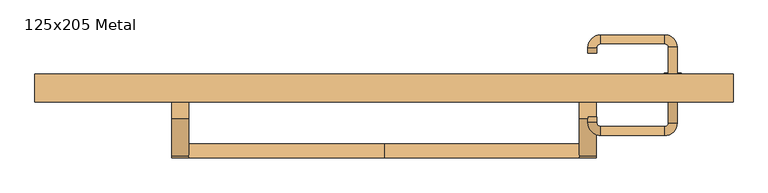
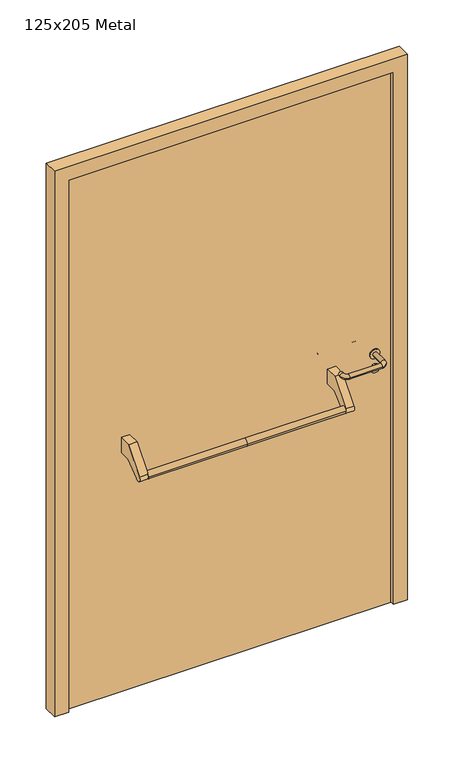
"""IFC4 building model written with IfcOpenShell, lengths in millimetres: door geometry, 125x205 Metal."""

from ifc_helpers import new_model, si_unit, point, frame, frame_2d, origin, origin_with_axes, place, context, project, spatial, polyline, circle_curve, ellipse_curve, trimmed, segment, composite_curve, outline, extrude, source, transform, mapped, element, save
from ifc_brep_helpers import plane_surface, cylinder_surface, revolved_surface, advanced_brep


def door_125x205_metal_08600e7a(model_context):
    return source(origin(), model_context, "Body", "SolidModel", [
        advanced_brep(
        [(-350.0, 74.5828565, 861.5304884), (-350.0, 49.5828565, 861.5304884), (0.0, 74.5828565, 861.5304884), (0.0, 49.5828565, 861.5304884), (350.0, 74.5828565, 861.5304884), (350.0, 49.5828565, 861.5304884)],
        [
            (0, 1, circle_curve(frame((-350.0, 62.0828565, 861.5304884), z_axis=(-1.0, 0.0, 0.0), x_axis=(0.0, -1.0, 0.0)), 12.5)),
            (1, 0, circle_curve(frame((-350.0, 62.0828565, 861.5304884), z_axis=(-1.0, 0.0, 0.0), x_axis=(0.0, -1.0, 0.0)), 12.5)),
            (0, 2),
            (2, 3, circle_curve(frame((0.0, 62.0828565, 861.5304884), z_axis=(-1.0, 0.0, 0.0), x_axis=(0.0, -1.0, 0.0)), 12.5)),
            (3, 1),
            (3, 2, circle_curve(frame((0.0, 62.0828565, 861.5304884), z_axis=(-1.0, 0.0, 0.0), x_axis=(0.0, -1.0, 0.0)), 12.5)),
            (4, 5, circle_curve(frame((350.0, 62.0828565, 861.5304884), z_axis=(1.0, 0.0, 0.0), x_axis=(0.0, -1.0, 0.0)), 12.5)),
            (5, 4, circle_curve(frame((350.0, 62.0828565, 861.5304884), z_axis=(1.0, 0.0, 0.0), x_axis=(0.0, -1.0, 0.0)), 12.5)),
            (5, 3),
            (2, 4),
        ],
        [
            plane_surface(frame((-350.0, 49.5828565, 861.5304884), z_axis=(-1.0, 0.0, 0.0), x_axis=(0.0, 0.0, -1.0))),
            cylinder_surface(frame((-350.0, 62.0828565, 861.5304884), z_axis=(1.0, 0.0, 0.0), x_axis=(0.0, -1.0, 0.0)), 12.5),
            plane_surface(frame((350.0, 49.5828565, 861.5304884), z_axis=(1.0, 0.0, 0.0), x_axis=(0.0, 0.0, 1.0))),
            cylinder_surface(frame((0.0, 62.0828565, 861.5304884), z_axis=(1.0, 0.0, 0.0), x_axis=(0.0, -1.0, 0.0)), 12.5),
        ],
        [
            (0, [[1, 2]]),
            (1, [[3, 4, 5, -1]]),
            (1, [[-5, 6, -3, -2]]),
            (2, [[7, 8]]),
            (3, [[9, -4, 10, -8]]),
            (3, [[-10, -6, -9, -7]]),
        ],
    ),
        extrude(outline(composite_curve([segment(polyline([(120.0, 950.0), (165.0, 950.0), (165.0, 895.2768379), (121.4513009, 895.2768379), (71.6584121, 853.4956432)]), True, "CONTINUOUS"), segment(trimmed(circle_curve(frame_2d((62.0828565, 861.5304884)), 12.5), [point((71.6584121, 853.4956432))], [point((52.507301, 869.5653335))], False, "CARTESIAN"), True, "CONTINUOUS"), segment(polyline([(52.507301, 869.5653335), (120.0, 950.0)]), True, "CONTINUOUS")], self_intersect=False)), frame((-380.0, 0.0, 0.0), z_axis=(1.0, 0.0, 0.0), x_axis=(0.0, 1.0, 0.0)), (0.0, 0.0, 1.0), 30.0),
        extrude(outline(composite_curve([segment(polyline([(120.0, 950.0), (165.0, 950.0), (165.0, 895.2768379), (121.4513009, 895.2768379), (71.6584121, 853.4956432)]), True, "CONTINUOUS"), segment(trimmed(circle_curve(frame_2d((62.0828565, 861.5304884)), 12.5), [point((71.6584121, 853.4956432))], [point((52.507301, 869.5653335))], False, "CARTESIAN"), True, "CONTINUOUS"), segment(polyline([(52.507301, 869.5653335), (120.0, 950.0)]), True, "CONTINUOUS")], self_intersect=False)), frame((350.0, 0.0, 0.0), z_axis=(1.0, 0.0, 0.0), x_axis=(0.0, 1.0, 0.0)), (0.0, 0.0, 1.0), 30.0),
        extrude(outline(composite_curve([segment(trimmed(circle_curve(frame_2d((897.3605726, 517.0)), 15.0), [point((897.3605726, 532.0))], [point((897.3605726, 502.0))], False, "CARTESIAN"), True, "CONTINUOUS"), segment(trimmed(circle_curve(frame_2d((897.3605726, 517.0)), 15.0), [point((897.3605726, 502.0))], [point((897.3605726, 532.0))], False, "CARTESIAN"), True, "CONTINUOUS")], self_intersect=False), holes=[composite_curve([segment(trimmed(circle_curve(frame_2d((892.5833211, 516.9398032)), 2.0), [point((892.5833211, 518.9398032))], [point((892.5833211, 514.9398032))], True, "CARTESIAN"), True, "CONTINUOUS"), segment(polyline([(892.5833211, 514.9398032), (902.5833211, 514.9398032)]), True, "CONTINUOUS"), segment(trimmed(circle_curve(frame_2d((902.5833211, 516.9398032)), 2.0), [point((902.5833211, 514.9398032))], [point((902.5833211, 518.9398032))], True, "CARTESIAN"), True, "CONTINUOUS"), segment(polyline([(902.5833211, 518.9398032), (892.5833211, 518.9398032)]), True, "CONTINUOUS")], self_intersect=False)]), frame((0.0, 158.65, 0.0), z_axis=(0.0, 1.0, 0.0), x_axis=(0.0, 0.0, 1.0)), (0.0, 0.0, 1.0), 6.35),
        extrude(outline(composite_curve([segment(trimmed(circle_curve(frame_2d((950.0, 517.0)), 17.526), [point((950.0, 534.526))], [point((950.0, 499.474))], False, "CARTESIAN"), True, "CONTINUOUS"), segment(trimmed(circle_curve(frame_2d((950.0, 517.0)), 17.526), [point((950.0, 499.474))], [point((950.0, 534.526))], False, "CARTESIAN"), True, "CONTINUOUS")], self_intersect=False)), frame((0.0, 161.825, 0.0), z_axis=(0.0, 1.0, 0.0), x_axis=(0.0, 0.0, 1.0)), (0.0, 0.0, 1.0), 3.175),
        advanced_brep(
        [(525.0, 165.0, 950.0), (509.0, 165.0, 950.0), (509.0, 112.0, 950.0), (525.0, 112.0, 950.0), (502.8578644, 105.8578644, 950.0), (502.8578644, 89.8578644, 950.0), (387.8578644, 105.8578644, 950.0), (387.8578644, 89.8578644, 950.0), (381.008622, 112.7071068, 950.0), (365.008622, 112.7071068, 950.0), (365.008622, 122.7071068, 950.0), (381.008622, 122.7071068, 950.0)],
        [
            (0, 1, circle_curve(frame((517.0, 165.0, 950.0), z_axis=(0.0, 1.0, 0.0), x_axis=(-1.0, 0.0, 0.0)), 8.0)),
            (1, 0, circle_curve(frame((517.0, 165.0, 950.0), z_axis=(0.0, 1.0, 0.0), x_axis=(-1.0, 0.0, 0.0)), 8.0)),
            (1, 2),
            (2, 3, circle_curve(frame((517.0, 112.0, 950.0), z_axis=(0.0, 1.0, 0.0), x_axis=(-1.0, 0.0, 0.0)), 8.0)),
            (3, 0),
            (3, 2, circle_curve(frame((517.0, 112.0, 950.0), z_axis=(0.0, 1.0, 0.0), x_axis=(-1.0, 0.0, 0.0)), 8.0)),
            (4, 5, circle_curve(frame((502.8578644, 97.8578644, 950.0), z_axis=(1.0, 0.0, 0.0), x_axis=(0.0, 1.0, 0.0)), 8.0)),
            (5, 3, circle_curve(frame((502.8578644, 112.0, 950.0), z_axis=(0.0, 0.0, 1.0), x_axis=(1.0, 0.0, 0.0)), 22.1421356)),
            (2, 4, circle_curve(frame((502.8578644, 112.0, 950.0), z_axis=(0.0, 0.0, -1.0), x_axis=(1.0, 0.0, 0.0)), 6.1421356)),
            (5, 4, circle_curve(frame((502.8578644, 97.8578644, 950.0), z_axis=(1.0, 0.0, 0.0), x_axis=(0.0, 1.0, 0.0)), 8.0)),
            (4, 6),
            (6, 7, circle_curve(frame((387.8578644, 97.8578644, 950.0), z_axis=(1.0, 0.0, 0.0), x_axis=(0.0, 1.0, 0.0)), 8.0)),
            (7, 5),
            (7, 6, circle_curve(frame((387.8578644, 97.8578644, 950.0), z_axis=(1.0, 0.0, 0.0), x_axis=(0.0, 1.0, 0.0)), 8.0)),
            (8, 9, circle_curve(frame((373.008622, 112.7071068, 950.0), z_axis=(0.0, -1.0, 0.0), x_axis=(1.0, 0.0, 0.0)), 8.0)),
            (9, 7, circle_curve(frame((387.8578644, 112.7071068, 950.0), z_axis=(0.0, 0.0, 1.0), x_axis=(0.0, -1.0, 0.0)), 22.8492424)),
            (6, 8, circle_curve(frame((387.8578644, 112.7071068, 950.0), z_axis=(0.0, 0.0, -1.0), x_axis=(0.0, -1.0, 0.0)), 6.8492424)),
            (9, 8, circle_curve(frame((373.008622, 112.7071068, 950.0), z_axis=(0.0, -1.0, 0.0), x_axis=(1.0, 0.0, 0.0)), 8.0)),
            (10, 11, circle_curve(frame((373.008622, 122.7071068, 950.0), z_axis=(0.0, 1.0, 0.0), x_axis=(1.0, 0.0, 0.0)), 8.0)),
            (11, 10, circle_curve(frame((373.008622, 122.7071068, 950.0), z_axis=(0.0, 1.0, 0.0), x_axis=(1.0, 0.0, 0.0)), 8.0)),
            (8, 11),
            (10, 9),
        ],
        [
            plane_surface(frame((517.0, 165.0, 170.0), z_axis=(0.0, 1.0, 0.0), x_axis=(0.0, 0.0, 1.0))),
            cylinder_surface(frame((517.0, 165.0, 950.0), z_axis=(0.0, 1.0, 0.0), x_axis=(-1.0, 0.0, 0.0)), 8.0),
            revolved_surface(trimmed(ellipse_curve(frame((517.0, 112.0, 950.0), z_axis=(0.0, -1.0, 0.0), x_axis=(-1.0, 0.0, 0.0)), 8.0, 8.0), [point((525.0, 112.0, 950.0))], [point((509.0, 112.0, 950.0))], True, "CARTESIAN"), (502.8578644, 112.0, 170.0), (0.0, 0.0, 1.0)),
            revolved_surface(trimmed(ellipse_curve(frame((517.0, 112.0, 950.0), z_axis=(0.0, -1.0, 0.0), x_axis=(-1.0, 0.0, 0.0)), 8.0, 8.0), [point((509.0, 112.0, 950.0))], [point((525.0, 112.0, 950.0))], True, "CARTESIAN"), (502.8578644, 112.0, 170.0), (0.0, 0.0, 1.0)),
            cylinder_surface(frame((502.8578644, 97.8578644, 950.0), z_axis=(1.0, 0.0, 0.0), x_axis=(0.0, 1.0, 0.0)), 8.0),
            revolved_surface(trimmed(ellipse_curve(frame((387.8578644, 97.8578644, 950.0), z_axis=(-1.0, 0.0, 0.0), x_axis=(0.0, 1.0, 0.0)), 8.0, 8.0), [point((387.8578644, 89.8578644, 950.0))], [point((387.8578644, 105.8578644, 950.0))], True, "CARTESIAN"), (387.8578644, 112.7071068, 170.0), (0.0, 0.0, 1.0)),
            revolved_surface(trimmed(ellipse_curve(frame((387.8578644, 97.8578644, 950.0), z_axis=(-1.0, 0.0, 0.0), x_axis=(0.0, 1.0, 0.0)), 8.0, 8.0), [point((387.8578644, 105.8578644, 950.0))], [point((387.8578644, 89.8578644, 950.0))], True, "CARTESIAN"), (387.8578644, 112.7071068, 170.0), (0.0, 0.0, 1.0)),
            plane_surface(frame((373.008622, 122.7071068, 170.0), z_axis=(0.0, 1.0, 0.0), x_axis=(0.0, 0.0, 1.0))),
            cylinder_surface(frame((373.008622, 112.7071068, 950.0), z_axis=(0.0, -1.0, 0.0), x_axis=(1.0, 0.0, 0.0)), 8.0),
        ],
        [
            (0, [[1, 2]]),
            (1, [[3, 4, 5, -2]]),
            (1, [[-5, 6, -3, -1]]),
            (2, [[7, 8, -4, 9]]),
            (3, [[10, -9, -6, -8]]),
            (4, [[11, 12, 13, -7]]),
            (4, [[-13, 14, -11, -10]]),
            (5, [[15, 16, -12, 17]]),
            (6, [[18, -17, -14, -16]]),
            (7, [[19, 20]]),
            (8, [[21, -19, 22, -15]]),
            (8, [[-22, -20, -21, -18]]),
        ],
    ),
        extrude(outline(composite_curve([segment(trimmed(circle_curve(frame_2d((0.0, -15.0)), 15.0), [point((0.0, -30.0))], [point((0.0, 0.0))], False, "CARTESIAN"), True, "CONTINUOUS"), segment(trimmed(circle_curve(frame_2d((0.0, -15.0)), 15.0), [point((0.0, 0.0))], [point((0.0, -30.0))], False, "CARTESIAN"), True, "CONTINUOUS")], self_intersect=False), holes=[composite_curve([segment(trimmed(circle_curve(frame_2d((4.7772515, -14.9398032)), 2.0), [point((4.7772515, -16.9398032))], [point((4.7772515, -12.9398032))], True, "CARTESIAN"), True, "CONTINUOUS"), segment(polyline([(4.7772515, -12.9398032), (-5.2227485, -12.9398032)]), True, "CONTINUOUS"), segment(trimmed(circle_curve(frame_2d((-5.2227485, -14.9398032)), 2.0), [point((-5.2227485, -12.9398032))], [point((-5.2227485, -16.9398032))], True, "CARTESIAN"), True, "CONTINUOUS"), segment(polyline([(-5.2227485, -16.9398032), (4.7772515, -16.9398032)]), True, "CONTINUOUS")], self_intersect=False)]), frame((502.0, 195.0, 897.3605726), z_axis=(1.8870575173328306e-12, 1.0, 0.0), x_axis=(0.0, 0.0, -1.0)), (0.0, 0.0, 1.0), 6.35),
        extrude(outline(composite_curve([segment(trimmed(circle_curve(frame_2d((0.0, -17.526)), 17.526), [point((0.0, -35.052))], [point((0.0, 0.0))], False, "CARTESIAN"), True, "CONTINUOUS"), segment(trimmed(circle_curve(frame_2d((0.0, -17.526)), 17.526), [point((0.0, 0.0))], [point((0.0, -35.052))], False, "CARTESIAN"), True, "CONTINUOUS")], self_intersect=False)), frame((499.474, 195.0, 950.0), z_axis=(1.8870575173328306e-12, 1.0, 0.0), x_axis=(0.0, 0.0, -1.0)), (0.0, 0.0, 1.0), 3.175),
        advanced_brep(
        [(525.0, 195.0, 950.0), (509.0, 195.0, 950.0), (525.0, 248.0, 950.0), (509.0, 248.0, 950.0), (502.8578644, 254.1421356, 950.0), (502.8578644, 270.1421356, 950.0), (387.8578644, 270.1421356, 950.0), (387.8578644, 254.1421356, 950.0), (381.008622, 247.2928932, 950.0), (365.008622, 247.2928932, 950.0), (365.008622, 237.2928932, 950.0), (381.008622, 237.2928932, 950.0)],
        [
            (0, 1, circle_curve(frame((517.0, 195.0, 950.0), z_axis=(-1.888672253512351e-12, -1.0, 0.0), x_axis=(-1.0, 1.888672253512351e-12, 0.0)), 8.0)),
            (1, 0, circle_curve(frame((517.0, 195.0, 950.0), z_axis=(-1.888672253512351e-12, -1.0, 0.0), x_axis=(-1.0, 1.888672253512351e-12, 0.0)), 8.0)),
            (0, 2),
            (2, 3, circle_curve(frame((517.0, 248.0, 950.0), z_axis=(-1.888672253512351e-12, -1.0, 0.0), x_axis=(-1.0, 1.888672253512351e-12, 0.0)), 8.0)),
            (3, 1),
            (3, 2, circle_curve(frame((517.0, 248.0, 950.0), z_axis=(-1.888672253512351e-12, -1.0, 0.0), x_axis=(-1.0, 1.888672253512351e-12, 0.0)), 8.0)),
            (4, 3, circle_curve(frame((502.8578644, 248.0, 950.0), z_axis=(0.0, 0.0, -1.0), x_axis=(1.0, -1.880717803715015e-12, 0.0)), 6.1421356)),
            (2, 5, circle_curve(frame((502.8578644, 248.0, 950.0), z_axis=(0.0, 0.0, 1.0), x_axis=(1.0, -1.880717803715015e-12, 0.0)), 22.1421356)),
            (5, 4, circle_curve(frame((502.8578644, 262.1421356, 950.0), z_axis=(1.0, -1.913702061528922e-12, 0.0), x_axis=(-1.913702061528922e-12, -1.0, 0.0)), 8.0)),
            (4, 5, circle_curve(frame((502.8578644, 262.1421356, 950.0), z_axis=(1.0, -1.913702061528922e-12, 0.0), x_axis=(-1.913702061528922e-12, -1.0, 0.0)), 8.0)),
            (5, 6),
            (6, 7, circle_curve(frame((387.8578644, 262.1421356, 950.0), z_axis=(1.0, -1.913719828541269e-12, 0.0), x_axis=(-1.913719828541269e-12, -1.0, 0.0)), 8.0)),
            (7, 4),
            (7, 6, circle_curve(frame((387.8578644, 262.1421356, 950.0), z_axis=(1.0, -1.913719828541269e-12, 0.0), x_axis=(-1.913719828541269e-12, -1.0, 0.0)), 8.0)),
            (8, 7, circle_curve(frame((387.8578644, 247.2928932, 950.0), z_axis=(0.0, 0.0, -1.0), x_axis=(1.9120873253494017e-12, 1.0, 0.0)), 6.8492424)),
            (6, 9, circle_curve(frame((387.8578644, 247.2928932, 950.0), z_axis=(0.0, 0.0, 1.0), x_axis=(1.9120873253494017e-12, 1.0, 0.0)), 22.8492424)),
            (9, 8, circle_curve(frame((373.008622, 247.2928932, 950.0), z_axis=(1.890670654956676e-12, 1.0, 0.0), x_axis=(1.0, -1.890670654956676e-12, 0.0)), 8.0)),
            (8, 9, circle_curve(frame((373.008622, 247.2928932, 950.0), z_axis=(1.890226565746826e-12, 1.0, 0.0), x_axis=(1.0, -1.890226565746826e-12, 0.0)), 8.0)),
            (10, 11, circle_curve(frame((373.008622, 237.2928932, 950.0), z_axis=(-1.8903642334018795e-12, -1.0, 0.0), x_axis=(1.0, -1.8903642334018795e-12, 0.0)), 8.0)),
            (11, 10, circle_curve(frame((373.008622, 237.2928932, 950.0), z_axis=(-1.8903642334018795e-12, -1.0, 0.0), x_axis=(1.0, -1.8903642334018795e-12, 0.0)), 8.0)),
            (9, 10),
            (11, 8),
        ],
        [
            plane_surface(frame((517.0, 195.0, 170.0), z_axis=(-1.8870575173328306e-12, -1.0, 0.0), x_axis=(0.0, 0.0, 1.0))),
            cylinder_surface(frame((517.0, 195.0, 950.0), z_axis=(-1.888672253512351e-12, -1.0, 0.0), x_axis=(-1.0, 1.888672253512351e-12, 0.0)), 8.0),
            revolved_surface(trimmed(ellipse_curve(frame((517.0, 248.0, 950.0), z_axis=(-1.8823325398945356e-12, -1.0, 0.0), x_axis=(-1.0, 1.8823325398945356e-12, 0.0)), 8.0, 8.0), [point((525.0, 248.0, 950.0))], [point((509.0, 248.0, 950.0))], True, "CARTESIAN"), (502.8578644, 248.0, 170.0), (0.0, 0.0, 1.0)),
            revolved_surface(trimmed(ellipse_curve(frame((517.0, 248.0, 950.0), z_axis=(-1.8823325398945356e-12, -1.0, 0.0), x_axis=(-1.0, 1.8823325398945356e-12, 0.0)), 8.0, 8.0), [point((509.0, 248.0, 950.0))], [point((525.0, 248.0, 950.0))], True, "CARTESIAN"), (502.8578644, 248.0, 170.0), (0.0, 0.0, 1.0)),
            cylinder_surface(frame((502.8578644, 262.1421356, 950.0), z_axis=(1.0, -1.913719828541269e-12, 0.0), x_axis=(-1.913719828541269e-12, -1.0, 0.0)), 8.0),
            revolved_surface(trimmed(ellipse_curve(frame((387.8578644, 262.1421356, 950.0), z_axis=(1.0, -1.913702061528922e-12, 0.0), x_axis=(-1.913702061528922e-12, -1.0, 0.0)), 8.0, 8.0), [point((387.8578644, 270.1421356, 950.0))], [point((387.8578644, 254.1421356, 950.0))], True, "CARTESIAN"), (387.8578644, 247.2928932, 170.0), (0.0, 0.0, 1.0)),
            revolved_surface(trimmed(ellipse_curve(frame((387.8578644, 262.1421356, 950.0), z_axis=(1.0, -1.913702061528922e-12, 0.0), x_axis=(-1.913702061528922e-12, -1.0, 0.0)), 8.0, 8.0), [point((387.8578644, 254.1421356, 950.0))], [point((387.8578644, 270.1421356, 950.0))], True, "CARTESIAN"), (387.8578644, 247.2928932, 170.0), (0.0, 0.0, 1.0)),
            plane_surface(frame((373.008622, 237.2928932, 170.0), z_axis=(-1.8887494972223595e-12, -1.0, 0.0), x_axis=(0.0, 0.0, 1.0))),
            cylinder_surface(frame((373.008622, 247.2928932, 950.0), z_axis=(1.8903642334018795e-12, 1.0, 0.0), x_axis=(1.0, -1.8903642334018795e-12, 0.0)), 8.0),
        ],
        [
            (0, [[1, 2]]),
            (1, [[-1, 3, 4, 5]]),
            (1, [[-2, -5, 6, -3]]),
            (2, [[7, -4, 8, 9]]),
            (3, [[-8, -6, -7, 10]]),
            (4, [[-9, 11, 12, 13]]),
            (4, [[-10, -13, 14, -11]]),
            (5, [[15, -12, 16, 17]]),
            (6, [[-16, -14, -15, 18]]),
            (7, [[19, 20]]),
            (8, [[-17, 21, -20, 22]]),
            (8, [[-18, -22, -19, -21]]),
        ],
    ),
        extrude(outline(polyline([(1990.0, 575.0), (0.0, 575.0), (0.0, 625.0), (2040.0, 625.0), (2040.0, -625.0), (0.0, -625.0), (0.0, -575.0), (1990.0, -575.0), (1990.0, 575.0)])), frame((0.0, 150.0, 0.0), z_axis=(0.0, 1.0, 0.0), x_axis=(0.0, 0.0, 1.0)), (0.0, 0.0, 1.0), 50.0),
        extrude(outline(polyline([(-575.0, 195.0), (575.0, 195.0), (575.0, 165.0), (-575.0, 165.0), (-575.0, 195.0)])), origin_with_axes(), (0.0, 0.0, 1.0), 1990.0),
    ])


if __name__ == "__main__":
    model = new_model("IFC4")
    model_context = context("Model", 3, world=origin())
    ifc_project = project(units=[si_unit("LENGTHUNIT", "METRE", prefix="MILLI")], contexts=[model_context])
    site = spatial("IfcSite", under=ifc_project)
    building = spatial("IfcBuilding", under=site)
    placement = place(None, origin())
    door_125x205_metal_shape = door_125x205_metal_08600e7a(model_context)
    element("IfcDoor", 1, ObjectType="125x205 Metal", at=placement, inside=building, context=model_context, shape_type="MappedRepresentation", body=[
        mapped(door_125x205_metal_shape, transform((0.0, 0.0, 0.0), x_axis=(1.0, 0.0, 0.0), y_axis=(0.0, 1.0, 0.0), z_axis=(0.0, 0.0, 1.0))),
    ])
    save(model, "model.ifc")
